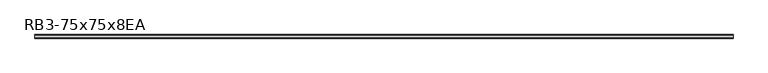
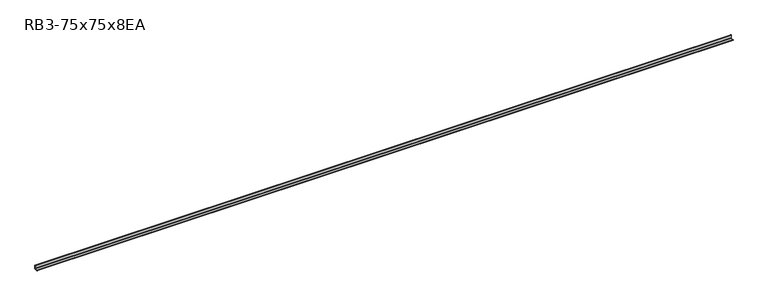
"""IFC4 building model written with IfcOpenShell, lengths in millimetres: member geometry, RB3-75x75x8EA."""

from ifc_helpers import new_model, si_unit, point, frame, frame_2d, origin, place, context, project, spatial, polyline, circle_curve, trimmed, segment, composite_curve, outline, extrude, source, transform, mapped, element, save


def rb3_75x75x8ea_a0a5d9b8(model_context):
    return source(origin(), model_context, "Body", "SweptSolid", [
        extrude(outline(composite_curve([segment(polyline([(21.3, -21.3), (-53.7, -21.3), (-53.7, -18.3)]), True, "CONTINUOUS"), segment(trimmed(circle_curve(frame_2d((-48.7, -18.3)), 5.0), [point((-53.7, -18.3))], [point((-48.7, -13.3))], False, "CARTESIAN"), True, "CONTINUOUS"), segment(polyline([(-48.7, -13.3), (5.3, -13.3)]), True, "CONTINUOUS"), segment(trimmed(circle_curve(frame_2d((5.3, -5.3)), 8.0), [point((5.3, -13.3))], [point((13.3, -5.3))], True, "CARTESIAN"), True, "CONTINUOUS"), segment(polyline([(13.3, -5.3), (13.3, 48.7)]), True, "CONTINUOUS"), segment(trimmed(circle_curve(frame_2d((18.3, 48.7)), 5.0), [point((13.3, 48.7))], [point((18.3, 53.7))], False, "CARTESIAN"), True, "CONTINUOUS"), segment(polyline([(18.3, 53.7), (21.3, 53.7), (21.3, -21.3)]), True, "CONTINUOUS")], self_intersect=False)), frame((-7252.0, 0.0, 0.0), z_axis=(1.0, 0.0, 0.0), x_axis=(0.0, 1.0, 0.0)), (0.0, 0.0, 1.0), 14546.0),
    ])


if __name__ == "__main__":
    model = new_model("IFC4")
    model_context = context("Model", 3, world=origin())
    ifc_project = project(units=[si_unit("LENGTHUNIT", "METRE", prefix="MILLI")], contexts=[model_context])
    site = spatial("IfcSite", under=ifc_project)
    building = spatial("IfcBuilding", under=site)
    placement = place(None, origin())
    rb3_75x75x8ea_shape = rb3_75x75x8ea_a0a5d9b8(model_context)
    element("IfcMember", 1, ObjectType="RB3-75x75x8EA", at=placement, inside=building, context=model_context, shape_type="MappedRepresentation", body=[
        mapped(rb3_75x75x8ea_shape, transform((0.0, 0.0, 0.0), x_axis=(1.0, 0.0, 0.0), y_axis=(0.0, 1.0, 0.0), z_axis=(0.0, 0.0, 1.0))),
    ])
    save(model, "model.ifc")
